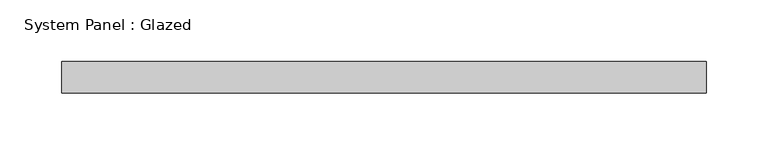
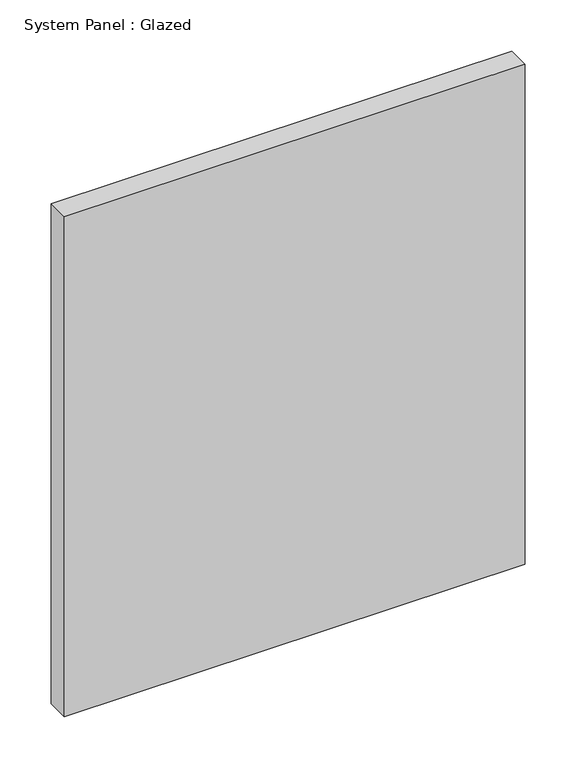
"""IFC4 building model written with IfcOpenShell, lengths in millimetres: plate geometry, System Panel : Glazed."""

from ifc_helpers import new_model, si_unit, origin, origin_with_axes, place, context, project, spatial, polyline, outline, extrude, source, transform, mapped, element, save


def system_panel_glazed_83e86942(model_context):
    return source(origin(), model_context, "Body", "SweptSolid", [
        extrude(outline(polyline([(260.35, 19.05), (-260.35, 19.05), (-260.35, 44.45), (260.35, 44.45), (260.35, 19.05)])), origin_with_axes(), (0.0, 0.0, 1.0), 596.9),
    ])


if __name__ == "__main__":
    model = new_model("IFC4")
    model_context = context("Model", 3, world=origin())
    ifc_project = project(units=[si_unit("LENGTHUNIT", "METRE", prefix="MILLI")], contexts=[model_context])
    site = spatial("IfcSite", under=ifc_project)
    building = spatial("IfcBuilding", under=site)
    placement = place(None, origin())
    system_panel_glazed_shape = system_panel_glazed_83e86942(model_context)
    element("IfcPlate", 1, ObjectType="System Panel : Glazed", at=placement, inside=building, context=model_context, shape_type="MappedRepresentation", body=[
        mapped(system_panel_glazed_shape, transform((0.0, 0.0, 0.0), x_axis=(1.0, 0.0, 0.0), y_axis=(0.0, 1.0, 0.0), z_axis=(0.0, 0.0, 1.0))),
    ])
    save(model, "model.ifc")
